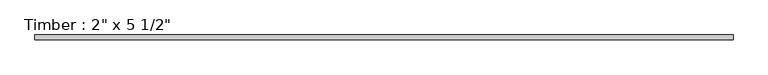
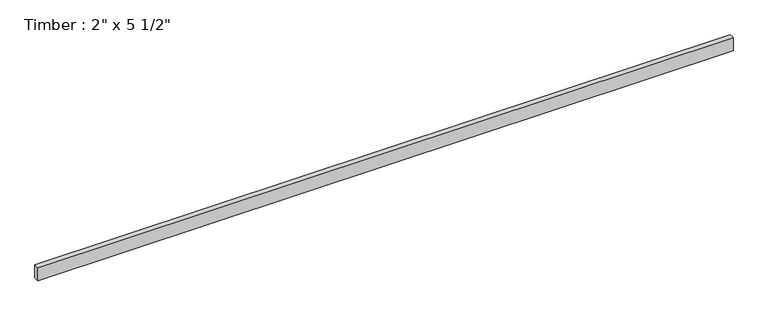
"""IFC4 building model written with IfcOpenShell, lengths in millimetres: beam geometry."""

from ifc_helpers import new_model, si_unit, frame, origin, place, context, project, spatial, polyline, outline, extrude, source, transform, mapped, element, save


def beam_da0453cb(model_context):
    return source(origin(), model_context, "Body", "SweptSolid", [
        extrude(outline(polyline([(3487.074658, 25.4), (3487.074658, -25.4), (-3487.074658, -25.4), (-3487.074658, 25.4), (3487.074658, 25.4)])), frame((0.0, 0.0, -69.85), z_axis=(0.0, 0.0, 1.0), x_axis=(1.0, 0.0, 0.0)), (0.0, 0.0, 1.0), 139.7),
    ])


if __name__ == "__main__":
    model = new_model("IFC4")
    model_context = context("Model", 3, world=origin())
    ifc_project = project(units=[si_unit("LENGTHUNIT", "METRE", prefix="MILLI")], contexts=[model_context])
    site = spatial("IfcSite", under=ifc_project)
    building = spatial("IfcBuilding", under=site)
    placement = place(None, origin())
    beam_shape = beam_da0453cb(model_context)
    element("IfcBeam", 1, ObjectType="Timber : 2\" x 5 1/2\"", at=placement, inside=building, context=model_context, shape_type="MappedRepresentation", body=[
        mapped(beam_shape, transform((0.0, 0.0, 0.0), x_axis=(1.0, 0.0, 0.0), y_axis=(0.0, 1.0, 0.0), z_axis=(0.0, 0.0, 1.0))),
    ])
    save(model, "model.ifc")
